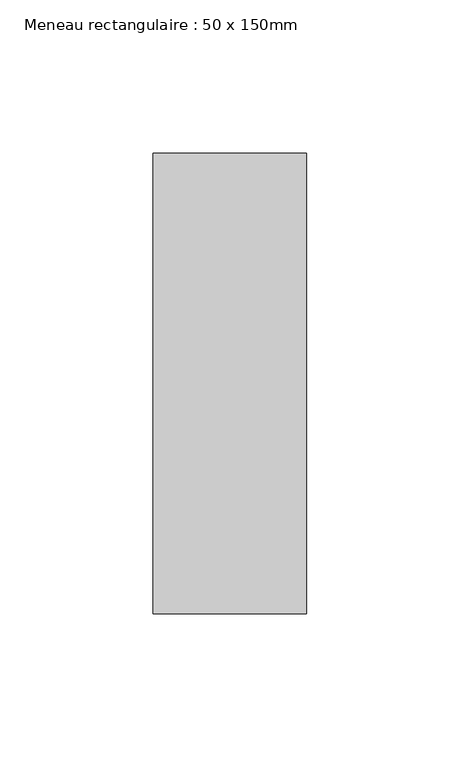
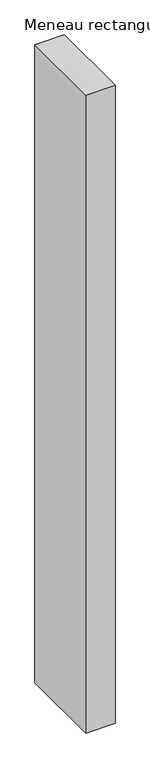
"""IFC4 building model written with IfcOpenShell, lengths in millimetres: member geometry, Meneau rectangulaire : 50 x 150mm."""

from ifc_helpers import new_model, si_unit, frame, origin, place, context, project, spatial, polyline, outline, extrude, source, transform, mapped, element, save


def meneau_rectangulaire_50_x_150mm_8836c4cf(model_context):
    return source(origin(), model_context, "Body", "SweptSolid", [
        extrude(outline(polyline([(25.0, 75.0), (25.0, -75.0), (-25.0, -75.0), (-25.0, 75.0), (25.0, 75.0)])), frame((0.0, 0.0, -1150.0180001), z_axis=(0.0, 0.0, 1.0), x_axis=(1.0, 0.0, 0.0)), (0.0, 0.0, 1.0), 1150.0180001),
    ])


if __name__ == "__main__":
    model = new_model("IFC4")
    model_context = context("Model", 3, world=origin())
    ifc_project = project(units=[si_unit("LENGTHUNIT", "METRE", prefix="MILLI")], contexts=[model_context])
    site = spatial("IfcSite", under=ifc_project)
    building = spatial("IfcBuilding", under=site)
    placement = place(None, origin())
    meneau_rectangulaire_50_x_150mm_shape = meneau_rectangulaire_50_x_150mm_8836c4cf(model_context)
    element("IfcMember", 1, ObjectType="Meneau rectangulaire : 50 x 150mm", at=placement, inside=building, context=model_context, shape_type="MappedRepresentation", body=[
        mapped(meneau_rectangulaire_50_x_150mm_shape, transform((0.0, 0.0, 0.0), x_axis=(1.0, 0.0, 0.0), y_axis=(0.0, 1.0, 0.0), z_axis=(0.0, 0.0, 1.0))),
    ])
    save(model, "model.ifc")
